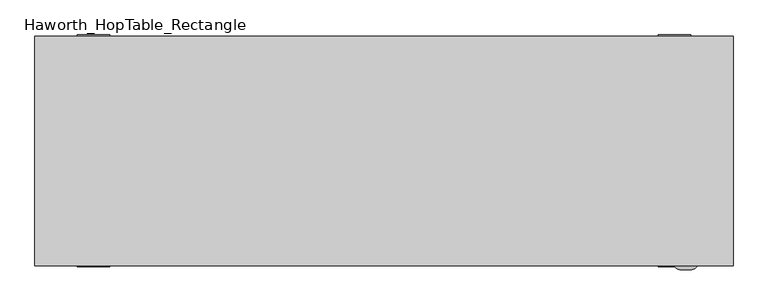
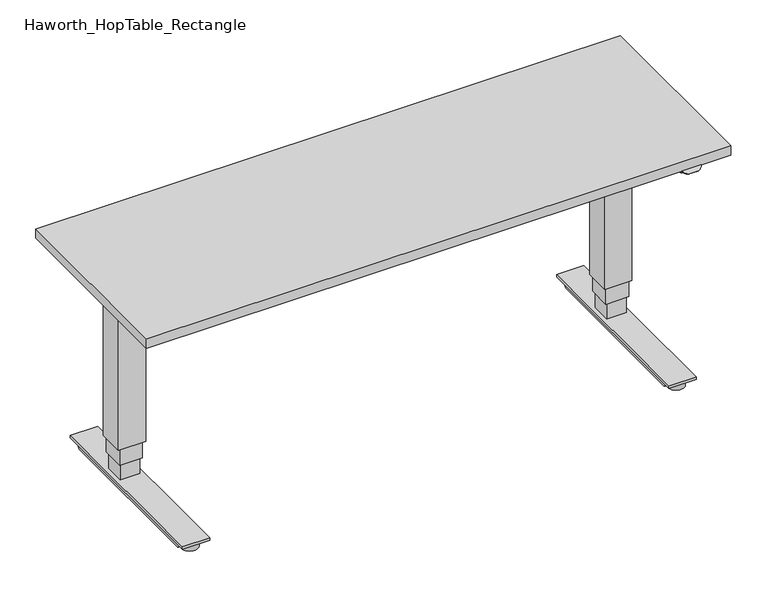
"""IFC4 building model written with IfcOpenShell, lengths in millimetres: furniture geometry, Haworth_HopTable_Rectangle."""

import ifcopenshell
import ifcopenshell.guid

model = None  # the IFC model being written
_history = None  # IfcOwnerHistory: only IFC2X3 demands one
_inside = {}  # id of a spatial element -> (the spatial element, [elements in it])
_under = {}  # id of a project, library or spatial element -> (it, [spatial elements below it])
_declared = {}  # id of a project -> (the project, [libraries it declares])
_typed = {}  # id of a type object -> (the type object, [elements of that type])
_made_of = {}  # id of a material, layer set ... -> (it, [elements and type objects made of it])


def new_model(schema):
    """Start an empty IFC model of exactly this schema.

    Asked for "IFC4X3", IfcOpenShell would pick the latest addendum, in which some entities
    have other attributes; the version numbers below select the first issue.
    IFC2X3 requires an IfcOwnerHistory on every rooted entity: one is made here for all.
    """
    global model, _history
    if schema == "IFC4X3":
        model = ifcopenshell.file(schema_version=(4, 3, 0, 0))
    else:
        model = ifcopenshell.file(schema=schema)
    _inside.clear()
    _under.clear()
    _declared.clear()
    _typed.clear()
    _made_of.clear()
    _history = None
    if model.schema == "IFC2X3":
        org = make("IfcOrganization", Name="unknown")
        user = make(
            "IfcPersonAndOrganization",
            ThePerson=make("IfcPerson", FamilyName="unknown"),
            TheOrganization=org,
        )
        app = make(
            "IfcApplication",
            ApplicationDeveloper=org,
            Version="unknown",
            ApplicationFullName="unknown",
            ApplicationIdentifier="unknown",
        )
        _history = make(
            "IfcOwnerHistory",
            OwningUser=user,
            OwningApplication=app,
            ChangeAction="ADDED",
            CreationDate=0,
        )
    return model


def make(cls, **values):
    """One entity of the class cls with the attributes given. An attribute that is None is left unset."""
    return model.create_entity(
        cls, **{name: value for name, value in values.items() if value is not None}
    )


def rooted(cls, **values):
    """An entity with a GlobalId (a new one), such as an element, a storey or a relation."""
    return make(cls, GlobalId=ifcopenshell.guid.new(), OwnerHistory=_history, **values)


def si_unit(unit_type, name, prefix=None):
    """IfcSIUnit, for example si_unit("LENGTHUNIT", "METRE", prefix="MILLI")."""
    return make("IfcSIUnit", UnitType=unit_type, Prefix=prefix, Name=name)


def assignment(units):
    """IfcUnitAssignment: the units of a project."""
    return None if units is None else make("IfcUnitAssignment", Units=units)


def point(xyz):
    """IfcCartesianPoint."""
    return None if xyz is None else make("IfcCartesianPoint", Coordinates=xyz)


def direction(xyz):
    """IfcDirection."""
    return None if xyz is None else make("IfcDirection", DirectionRatios=xyz)


def frame(location, z_axis=None, x_axis=None):
    """IfcAxis2Placement3D, a coordinate frame: its origin and axes. An axis left out is left unset."""
    return make(
        "IfcAxis2Placement3D",
        Location=point(location),
        Axis=direction(z_axis),
        RefDirection=direction(x_axis),
    )


def frame_2d(location, x_axis=None):
    """IfcAxis2Placement2D, a coordinate frame in the plane: its origin and x axis."""
    return make(
        "IfcAxis2Placement2D", Location=point(location), RefDirection=direction(x_axis)
    )


def origin():
    """The frame at (0, 0, 0) with its axes left unset."""
    return frame((0.0, 0.0, 0.0))


def origin_with_axes():
    """The frame at (0, 0, 0) with the z axis (0, 0, 1) and the x axis (1, 0, 0) written out."""
    return frame((0.0, 0.0, 0.0), z_axis=(0.0, 0.0, 1.0), x_axis=(1.0, 0.0, 0.0))


def place(relative_to, where):
    """IfcLocalPlacement: puts the frame where relative to a parent placement (None: the world)."""
    return make(
        "IfcLocalPlacement", PlacementRelTo=relative_to, RelativePlacement=where
    )


def context(
    kind, dimensions, precision=None, world=None, true_north=None, identifier=None
):
    """IfcGeometricRepresentationContext, for example the 3D "Model" context."""
    return make(
        "IfcGeometricRepresentationContext",
        ContextIdentifier=identifier,
        ContextType=kind,
        CoordinateSpaceDimension=dimensions,
        Precision=precision,
        WorldCoordinateSystem=world,
        TrueNorth=true_north,
    )


def project(units=None, contexts=None):
    """IfcProject with its units and contexts."""
    return rooted(
        "IfcProject",
        Name="project",
        RepresentationContexts=contexts,
        UnitsInContext=assignment(units),
    )


def spatial(cls, under=None, at=None, **own):
    """A site, building, storey or space (cls), placed at a placement, below another one or the project."""
    s = rooted(cls, ObjectPlacement=at, **own)
    if under is not None:
        _under.setdefault(under.id(), (under, []))[1].append(s)
    return s


def polyline(points):
    """IfcPolyline through the points."""
    return make("IfcPolyline", Points=[point(p) for p in points])


def circle_curve(where, radius):
    """IfcCircle in the frame where."""
    return make("IfcCircle", Position=where, Radius=radius)


def ellipse_curve(where, semi_axis1, semi_axis2):
    """IfcEllipse in the frame where."""
    return make(
        "IfcEllipse", Position=where, SemiAxis1=semi_axis1, SemiAxis2=semi_axis2
    )


def trimmed(basis, trim1, trim2, sense, master):
    """IfcTrimmedCurve: the piece of a basis curve between two trims."""
    return make(
        "IfcTrimmedCurve",
        BasisCurve=basis,
        Trim1=trim1,
        Trim2=trim2,
        SenseAgreement=sense,
        MasterRepresentation=master,
    )


def segment(curve, same_sense, transition):
    """IfcCompositeCurveSegment."""
    return make(
        "IfcCompositeCurveSegment",
        Transition=transition,
        SameSense=same_sense,
        ParentCurve=curve,
    )


def composite_curve(segments, self_intersect=None):
    """IfcCompositeCurve: segments joined end to end."""
    return make("IfcCompositeCurve", Segments=segments, SelfIntersect=self_intersect)


def outline(outer, holes=None, kind="AREA"):
    """IfcArbitraryClosedProfileDef: a profile drawn as a closed curve; with holes, ...WithVoids."""
    if holes is None:
        return make("IfcArbitraryClosedProfileDef", ProfileType=kind, OuterCurve=outer)
    return make(
        "IfcArbitraryProfileDefWithVoids",
        ProfileType=kind,
        OuterCurve=outer,
        InnerCurves=holes,
    )


def extrude(swept, where, along, depth):
    """IfcExtrudedAreaSolid: the profile swept, set in the frame where, extruded along a direction by depth."""
    return make(
        "IfcExtrudedAreaSolid",
        SweptArea=swept,
        Position=where,
        ExtrudedDirection=direction(along),
        Depth=depth,
    )


def shape(context_of_items, identifier, shape_type, items):
    """IfcShapeRepresentation: the items that make up one representation, for example the "Body"."""
    return make(
        "IfcShapeRepresentation",
        ContextOfItems=context_of_items,
        RepresentationIdentifier=identifier,
        RepresentationType=shape_type,
        Items=items,
    )


def source(mapping_origin, context_of_items, identifier, shape_type, items):
    """IfcRepresentationMap: a shape defined once, which mapped items show again and again."""
    return make(
        "IfcRepresentationMap",
        MappingOrigin=mapping_origin,
        MappedRepresentation=shape(context_of_items, identifier, shape_type, items),
    )


def transform(
    local_origin,
    x_axis=None,
    y_axis=None,
    z_axis=None,
    scale=None,
    scale2=None,
    scale3=None,
    uniform=True,
):
    """IfcCartesianTransformationOperator3D, or its non-uniform kind. x_axis, y_axis, z_axis: its Axis1, 2, 3."""
    if uniform:
        return make(
            "IfcCartesianTransformationOperator3D",
            Axis1=direction(x_axis),
            Axis2=direction(y_axis),
            LocalOrigin=point(local_origin),
            Scale=scale,
            Axis3=direction(z_axis),
        )
    return make(
        "IfcCartesianTransformationOperator3DnonUniform",
        Axis1=direction(x_axis),
        Axis2=direction(y_axis),
        LocalOrigin=point(local_origin),
        Scale=scale,
        Axis3=direction(z_axis),
        Scale2=scale2,
        Scale3=scale3,
    )


def mapped(mapping_source, mapping_target):
    """IfcMappedItem: shows the shape of a source again, moved by a transform."""
    return make(
        "IfcMappedItem", MappingSource=mapping_source, MappingTarget=mapping_target
    )


def made_of(thing, what):
    """Note that an element or type object is made of a material, layer set ...; save() writes the relation."""
    if what is not None:
        _made_of.setdefault(what.id(), (what, []))[1].append(thing)
    return thing


def element(
    cls,
    number,
    at=None,
    inside=None,
    cuts=None,
    type_object=None,
    material=None,
    context=None,
    identifier="Body",
    shape_type=None,
    held_by="IfcProductDefinitionShape",
    body=None,
    shapes=None,
    **own,
):
    """One element of the class cls, such as IfcWall. Its Tag is "e" and its number.

    at: its placement. inside: the storey or other place that contains it. cuts: it is an
    opening in that element (IfcRelVoidsElement). A single representation is given by context,
    identifier, shape_type and body (its items); several are given by shapes. held_by: the class
    of the entity that holds the representations. save() writes the other relations.
    """
    e = rooted(cls, Tag="e%d" % number, ObjectPlacement=at, **own)
    if body is not None:
        shapes = [shape(context, identifier, shape_type, body)]
    if shapes is not None:
        e.Representation = make(held_by, Representations=shapes)
    if inside is not None:
        _inside.setdefault(inside.id(), (inside, []))[1].append(e)
    if cuts is not None:
        rooted(
            "IfcRelVoidsElement", RelatingBuildingElement=cuts, RelatedOpeningElement=e
        )
    if type_object is not None:
        _typed.setdefault(type_object.id(), (type_object, []))[1].append(e)
    return made_of(e, material)


def aggregate(whole, parts):
    """IfcRelAggregates: a whole, such as a stair, and the parts it consists of."""
    return rooted("IfcRelAggregates", RelatingObject=whole, RelatedObjects=parts)


def save(model, path):
    """Write the relations noted so far, then the file.

    IfcRelAggregates (storeys below a building ...), IfcRelContainedInSpatialStructure (elements
    in a storey), IfcRelDefinesByType, IfcRelAssociatesMaterial and IfcRelDeclares: one each for
    every whole, place, type object, material and project.
    """
    for whole, parts in _under.values():
        aggregate(whole, parts)
    for where, things in _inside.values():
        rooted(
            "IfcRelContainedInSpatialStructure",
            RelatedElements=things,
            RelatingStructure=where,
        )
    for kind, things in _typed.values():
        rooted("IfcRelDefinesByType", RelatedObjects=things, RelatingType=kind)
    for what, things in _made_of.values():
        rooted("IfcRelAssociatesMaterial", RelatedObjects=things, RelatingMaterial=what)
    for by, libraries in _declared.values():
        rooted("IfcRelDeclares", RelatingContext=by, RelatedDefinitions=libraries)
    model.write(path)


def plane_surface(at):
    """IfcPlane: the flat surface through the origin of the frame at, square to its z axis."""
    return make("IfcPlane", Position=at)


def extruded_surface(curve, direction_of_extrusion, depth):
    """IfcSurfaceOfLinearExtrusion: the curve pushed along a direction by depth."""
    return make(
        "IfcSurfaceOfLinearExtrusion",
        SweptCurve=make("IfcArbitraryOpenProfileDef", ProfileType="CURVE", Curve=curve),
        ExtrudedDirection=direction(direction_of_extrusion),
        Depth=depth,
    )


def advanced_brep(points, edges, surfaces, faces):
    """IfcAdvancedBrep: a solid bounded by faces that lie on surfaces and meet in shared edges.

    An edge is (start, end): straight between two places in points (the first is 0);
    or (start, end, curve); or (start, end, curve, False) where it runs against its curve.
    A face is (place in surfaces, loops), or (place, loops, False) where it looks against
    its surface's normal. A loop lists edges by number (the first is 1), with a minus sign
    where the edge is run from its end to its start. The first loop is the outer one.
    """
    corners = [point(p) for p in points]
    vertices = [make("IfcVertexPoint", VertexGeometry=c) for c in corners]
    made = []
    for start, end, *more in edges:
        made.append(
            make(
                "IfcEdgeCurve",
                EdgeStart=vertices[start],
                EdgeEnd=vertices[end],
                EdgeGeometry=more[0] if more else make("IfcPolyline", Points=[corners[start], corners[end]]),
                SameSense=more[1] if len(more) > 1 else True,
            )
        )
    hull = []
    for where, loops, *sense in faces:
        bounds = []
        for j, loop in enumerate(loops):
            ring = [make("IfcOrientedEdge", EdgeElement=made[abs(k) - 1], Orientation=k > 0) for k in loop]
            bounds.append(
                make(
                    "IfcFaceOuterBound" if j == 0 else "IfcFaceBound",
                    Bound=make("IfcEdgeLoop", EdgeList=ring),
                    Orientation=True,
                )
            )
        hull.append(make("IfcAdvancedFace", Bounds=bounds, FaceSurface=surfaces[where], SameSense=sense[0] if sense else True))
    return make("IfcAdvancedBrep", Outer=make("IfcClosedShell", CfsFaces=hull))


def haworth_hoptable_rectangle_8f557b7b(model_context):
    return source(origin(), model_context, "Body", "SolidModel", [
        extrude(outline(composite_curve([segment(trimmed(circle_curve(frame_2d((37.7285107, 9.0135115)), 23.2189485), [point((59.1265522, 0.0))], [point((45.2850626, -12.941399))], False, "CARTESIAN"), True, "CONTINUOUS"), segment(trimmed(circle_curve(frame_2d((29.6386766, -253.912974)), 241.479004), [point((45.2850626, -12.941399))], [point((13.9922906, -12.941399))], True, "CARTESIAN"), True, "CONTINUOUS"), segment(trimmed(circle_curve(frame_2d((21.673805, 9.3988429)), 23.6239723), [point((13.9922906, -12.941399))], [point((0.0, 0.0))], False, "CARTESIAN"), True, "CONTINUOUS"), segment(polyline([(0.0, 0.0), (59.1265522, 0.0)]), True, "CONTINUOUS")], self_intersect=False)), frame((738.8563525, -290.9321798, 704.4147761), z_axis=(0.0, -0.4999999999999757, 0.8660254037844528), x_axis=(1.0, 0.0, 0.0)), (0.0, 0.0, 1.0), 2.3356404),
        advanced_brep(
        [(738.9335207, -292.1, 700.2720303), (798.0209544, -292.1, 700.2720303), (738.9335207, -292.1, 706.4375), (798.0209544, -292.1, 706.4375)],
        [
            (0, 1, ellipse_curve(frame((768.4771096, -282.7968806, 700.2720303), z_axis=(0.0, 0.0, -1.0), x_axis=(0.999999999701082, -2.445068643363226e-05, 0.0)), 31.75, 25.4)),
            (1, 0),
            (2, 3),
            (3, 2, ellipse_curve(frame((768.4771096, -282.7968806, 706.4375), z_axis=(0.0, 0.0, 1.0), x_axis=(0.999999999701082, -2.445068643363226e-05, 0.0)), 31.75, 25.4)),
            (0, 2),
            (3, 1),
        ],
        [
            plane_surface(frame((800.2271096, -282.797657, 700.2720303), z_axis=(0.0, 0.0, -1.0), x_axis=(-2.4450686433632264e-05, -0.999999999701082, 0.0))),
            plane_surface(frame((800.2271096, -282.797657, 706.4375), z_axis=(0.0, 0.0, 1.0), x_axis=(2.4450686433632264e-05, 0.999999999701082, 0.0))),
            extruded_surface(trimmed(ellipse_curve(frame((768.4771096, -282.7968806, 712.6029697), z_axis=(0.0, 0.0, -1.0), x_axis=(0.999999999701082, -2.445068643363226e-05, 0.0)), 31.75, 25.4), [point((738.9335207, -292.1, 712.6029697))], [point((798.0209544, -292.1, 712.6029697))], True, "CARTESIAN"), (0.0, 0.0, -6.165469700000017), 6.165469700000017),
            plane_surface(frame((798.0209544, -292.1, 700.2720303), z_axis=(0.0, -1.0, 0.0), x_axis=(0.0, 0.0, 1.0))),
        ],
        [
            (0, [[1, 2]]),
            (1, [[3, 4]]),
            (2, [[-1, 5, -4, 6]]),
            (3, [[-2, -6, -3, -5]]),
        ],
    ),
        extrude(outline(polyline([(-260.35, 6.9341028), (-276.225, 23.7354176), (276.225, 23.7354176), (260.35, 6.9341028), (-260.35, 6.9341028)])), frame((704.85, 0.0, 0.0), z_axis=(1.0, 0.0, 0.0), x_axis=(0.0, 1.0, 0.0)), (0.0, 0.0, 1.0), 69.85),
        extrude(outline(polyline([(237.8097576, 675.4323915), (237.8097576, 706.4375), (276.225, 706.4375), (276.225, 700.0683423), (237.8097576, 675.4323915)])), frame((781.05, 0.0, 0.0), z_axis=(1.0, 0.0, 0.0), x_axis=(0.0, 1.0, 0.0)), (0.0, 0.0, 1.0), 27.7950983),
        extrude(outline(polyline([(-237.8097576, 706.4375), (-237.8097576, 675.4323915), (-276.225, 700.0683423), (-276.225, 706.4375), (-237.8097576, 706.4375)])), frame((781.05, 0.0, 0.0), z_axis=(1.0, 0.0, 0.0), x_axis=(0.0, 1.0, 0.0)), (0.0, 0.0, 1.0), 27.7950983),
        extrude(outline(polyline([(781.05, -237.8097576), (781.05, 237.8097576), (808.8450983, 237.8097576), (808.8450983, -237.8097576), (781.05, -237.8097576)])), frame((0.0, 0.0, 675.4323915), z_axis=(0.0, 0.0, 1.0), x_axis=(1.0, 0.0, 0.0)), (0.0, 0.0, 1.0), 31.0051085),
        extrude(outline(polyline([(-1.4499963, 699.8661752), (-1.4499963, 706.4375), (166.5499963, 706.4375), (166.5499963, 699.8661752), (142.6215843, 699.8661752), (142.6215843, 620.8466246), (22.4784157, 620.8466246), (22.4784157, 699.8661752), (-1.4499963, 699.8661752)])), frame((698.5, 0.0, 0.0), z_axis=(1.0, 0.0, 0.0), x_axis=(0.0, 1.0, 0.0)), (0.0, 0.0, 1.0), 82.55),
        extrude(outline(polyline([(698.5, 122.549993), (781.05, 122.549993), (781.05, 42.550007), (698.5, 42.550007), (698.5, 122.549993)])), frame((0.0, 0.0, 136.846598), z_axis=(0.0, 0.0, 1.0), x_axis=(1.0, 0.0, 0.0)), (0.0, 0.0, 1.0), 484.0000266),
        extrude(outline(polyline([(704.85, 117.5500075), (774.7, 117.5500075), (774.7, 47.5499925), (704.85, 47.5499925), (704.85, 117.5500075)])), frame((0.0, 0.0, 84.2915085), z_axis=(0.0, 0.0, 1.0), x_axis=(1.0, 0.0, 0.0)), (0.0, 0.0, 1.0), 52.5550895),
        extrude(outline(polyline([(709.7750007, 112.5499857), (769.7749993, 112.5499857), (769.7749993, 52.5500143), (709.7750007, 52.5500143), (709.7750007, 112.5499857)])), frame((0.0, 0.0, 31.736419), z_axis=(0.0, 0.0, 1.0), x_axis=(1.0, 0.0, 0.0)), (0.0, 0.0, 1.0), 52.5550895),
        extrude(outline(composite_curve([segment(trimmed(circle_curve(frame_2d((739.775, 260.35)), 25.4), [point((765.175, 260.35))], [point((714.375, 260.35))], False, "CARTESIAN"), True, "CONTINUOUS"), segment(trimmed(circle_curve(frame_2d((739.775, 260.35)), 25.4), [point((714.375, 260.35))], [point((765.175, 260.35))], False, "CARTESIAN"), True, "CONTINUOUS")], self_intersect=False)), origin_with_axes(), (0.0, 0.0, 1.0), 23.7354176),
        extrude(outline(composite_curve([segment(trimmed(circle_curve(frame_2d((739.775, -260.35)), 25.4), [point((765.175, -260.35))], [point((714.375, -260.35))], False, "CARTESIAN"), True, "CONTINUOUS"), segment(trimmed(circle_curve(frame_2d((739.775, -260.35)), 25.4), [point((714.375, -260.35))], [point((765.175, -260.35))], False, "CARTESIAN"), True, "CONTINUOUS")], self_intersect=False)), origin_with_axes(), (0.0, 0.0, 1.0), 23.7354176),
        extrude(outline(polyline([(698.5, 295.275), (781.05, 295.275), (781.05, -295.275), (698.5, -295.275), (698.5, 295.275)])), frame((0.0, 0.0, 23.7354176), z_axis=(0.0, 0.0, 1.0), x_axis=(1.0, 0.0, 0.0)), (0.0, 0.0, 1.0), 8.0010015),
        extrude(outline(polyline([(-260.35, 6.9341028), (-276.225, 23.7354176), (276.225, 23.7354176), (260.35, 6.9341028), (-260.35, 6.9341028)])), frame((-774.7, 0.0, 0.0), z_axis=(1.0, 0.0, 0.0), x_axis=(0.0, 1.0, 0.0)), (0.0, 0.0, 1.0), 69.85),
        extrude(outline(polyline([(237.8097576, 675.4323915), (237.8097576, 706.4375), (276.225, 706.4375), (276.225, 700.0683423), (237.8097576, 675.4323915)])), frame((-808.8450983, 0.0, 0.0), z_axis=(1.0, 0.0, 0.0), x_axis=(0.0, 1.0, 0.0)), (0.0, 0.0, 1.0), 27.7950983),
        extrude(outline(polyline([(-237.8097576, 706.4375), (-237.8097576, 675.4323915), (-276.225, 700.0683423), (-276.225, 706.4375), (-237.8097576, 706.4375)])), frame((-808.8450983, 0.0, 0.0), z_axis=(1.0, 0.0, 0.0), x_axis=(0.0, 1.0, 0.0)), (0.0, 0.0, 1.0), 27.7950983),
        extrude(outline(polyline([(-781.05, -237.8097576), (-808.8450983, -237.8097576), (-808.8450983, 237.8097576), (-781.05, 237.8097576), (-781.05, -237.8097576)])), frame((0.0, 0.0, 675.4323915), z_axis=(0.0, 0.0, 1.0), x_axis=(1.0, 0.0, 0.0)), (0.0, 0.0, 1.0), 31.0051085),
        extrude(outline(polyline([(-1.4499963, 699.8661752), (-1.4499963, 706.4375), (166.5499963, 706.4375), (166.5499963, 699.8661752), (142.6215843, 699.8661752), (142.6215843, 620.8466246), (22.4784157, 620.8466246), (22.4784157, 699.8661752), (-1.4499963, 699.8661752)])), frame((-781.05, 0.0, 0.0), z_axis=(1.0, 0.0, 0.0), x_axis=(0.0, 1.0, 0.0)), (0.0, 0.0, 1.0), 82.55),
        extrude(outline(polyline([(-698.5, 122.549993), (-698.5, 42.550007), (-781.05, 42.550007), (-781.05, 122.549993), (-698.5, 122.549993)])), frame((0.0, 0.0, 136.846598), z_axis=(0.0, 0.0, 1.0), x_axis=(1.0, 0.0, 0.0)), (0.0, 0.0, 1.0), 484.0000266),
        extrude(outline(polyline([(-704.85, 117.5500075), (-704.85, 47.5499925), (-774.7, 47.5499925), (-774.7, 117.5500075), (-704.85, 117.5500075)])), frame((0.0, 0.0, 84.2915085), z_axis=(0.0, 0.0, 1.0), x_axis=(1.0, 0.0, 0.0)), (0.0, 0.0, 1.0), 52.5550895),
        extrude(outline(polyline([(-709.7750007, 112.5499857), (-709.7750007, 52.5500143), (-769.7749993, 52.5500143), (-769.7749993, 112.5499857), (-709.7750007, 112.5499857)])), frame((0.0, 0.0, 31.736419), z_axis=(0.0, 0.0, 1.0), x_axis=(1.0, 0.0, 0.0)), (0.0, 0.0, 1.0), 52.5550895),
        extrude(outline(composite_curve([segment(trimmed(circle_curve(frame_2d((-739.775, 260.35)), 25.4), [point((-765.175, 260.35))], [point((-714.375, 260.35))], False, "CARTESIAN"), True, "CONTINUOUS"), segment(trimmed(circle_curve(frame_2d((-739.775, 260.35)), 25.4), [point((-714.375, 260.35))], [point((-765.175, 260.35))], False, "CARTESIAN"), True, "CONTINUOUS")], self_intersect=False)), origin_with_axes(), (0.0, 0.0, 1.0), 23.7354176),
        extrude(outline(composite_curve([segment(trimmed(circle_curve(frame_2d((-739.775, -260.35)), 25.4), [point((-765.175, -260.35))], [point((-714.375, -260.35))], False, "CARTESIAN"), True, "CONTINUOUS"), segment(trimmed(circle_curve(frame_2d((-739.775, -260.35)), 25.4), [point((-714.375, -260.35))], [point((-765.175, -260.35))], False, "CARTESIAN"), True, "CONTINUOUS")], self_intersect=False)), origin_with_axes(), (0.0, 0.0, 1.0), 23.7354176),
        extrude(outline(polyline([(-698.5, 295.275), (-698.5, -295.275), (-781.05, -295.275), (-781.05, 295.275), (-698.5, 295.275)])), frame((0.0, 0.0, 23.7354176), z_axis=(0.0, 0.0, 1.0), x_axis=(1.0, 0.0, 0.0)), (0.0, 0.0, 1.0), 8.0010015),
        extrude(outline(polyline([(698.5, 142.6215843), (698.5, 22.4784157), (-698.5, 22.4784157), (-698.5, 142.6215843), (698.5, 142.6215843)])), frame((0.0, 0.0, 620.8466246), z_axis=(0.0, 0.0, 1.0), x_axis=(1.0, 0.0, 0.0)), (0.0, 0.0, 1.0), 85.5908754),
        extrude(outline(polyline([(889.0, 292.1), (889.0, -292.1), (-889.0, -292.1), (-889.0, 292.1), (889.0, 292.1)])), frame((0.0, 0.0, 706.4375), z_axis=(0.0, 0.0, 1.0), x_axis=(1.0, 0.0, 0.0)), (0.0, 0.0, 1.0), 30.1625),
    ])


if __name__ == "__main__":
    model = new_model("IFC4")
    model_context = context("Model", 3, world=origin())
    ifc_project = project(units=[si_unit("LENGTHUNIT", "METRE", prefix="MILLI")], contexts=[model_context])
    site = spatial("IfcSite", under=ifc_project)
    building = spatial("IfcBuilding", under=site)
    placement = place(None, origin())
    haworth_hoptable_rectangle_shape = haworth_hoptable_rectangle_8f557b7b(model_context)
    element("IfcFurniture", 1, ObjectType="Haworth_HopTable_Rectangle", at=placement, inside=building, context=model_context, shape_type="MappedRepresentation", body=[
        mapped(haworth_hoptable_rectangle_shape, transform((0.0, 0.0, 0.0), x_axis=(1.0, 0.0, 0.0), y_axis=(0.0, 1.0, 0.0), z_axis=(0.0, 0.0, 1.0))),
    ])
    save(model, "model.ifc")
